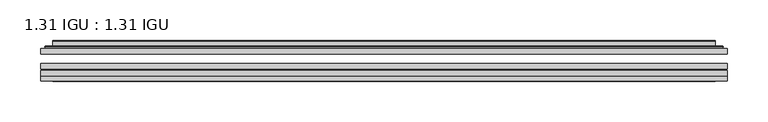
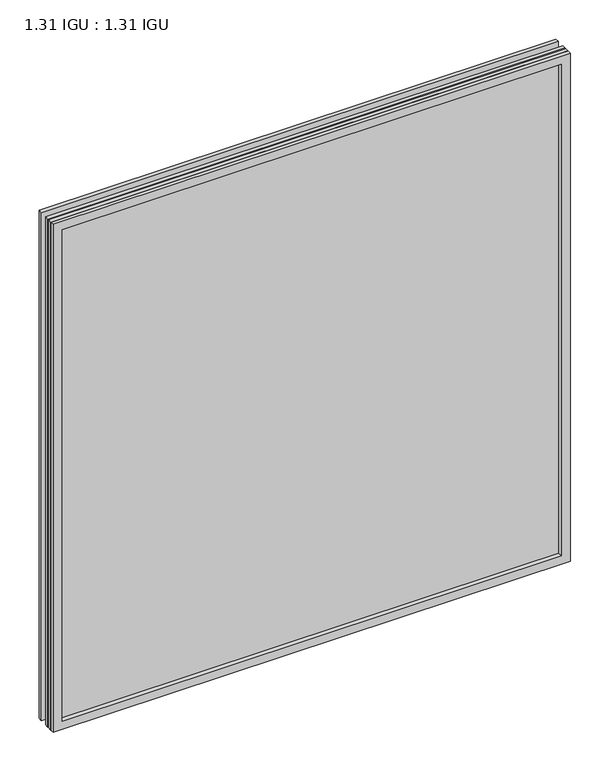
"""IFC4 building model written with IfcOpenShell, lengths in millimetres: plate geometry, 1.31 IGU : 1.31 IGU."""

from ifc_helpers import new_model, si_unit, frame, origin, place, context, project, spatial, polyline, ellipse_curve, outline, extrude, faceted_brep, source, transform, mapped, element, save
from ifc_brep_helpers import plane_surface, cylinder_surface, advanced_brep


def plate_1_31_igu_1_31_igu_53862be5(model_context):
    return source(origin(), model_context, "Body", "SolidModel", [
        extrude(outline(polyline([(419.1140393, -63.2975937), (419.1140393, -69.6475938), (-419.0998644, -69.6475938), (-419.0998644, -63.2975937), (419.1140393, -63.2975937)])), frame((0.0, 0.0, -14.2875), z_axis=(0.0, 0.0, 1.0), x_axis=(1.0, 0.0, 0.0)), (0.0, 0.0, 1.0), 869.9537979),
        extrude(outline(polyline([(-419.0998644, -78.2835938), (-419.0998644, -71.9330887), (419.1140393, -71.9330887), (419.1140393, -78.2835938), (-419.0998644, -78.2835938)])), frame((0.0, 0.0, -14.2875), z_axis=(0.0, 0.0, 1.0), x_axis=(1.0, 0.0, 0.0)), (0.0, 0.0, 1.0), 869.9537979),
        extrude(outline(polyline([(419.1140393, -44.9587937), (419.1140393, -51.3087938), (-419.0998644, -51.3087938), (-419.0998644, -44.9587937), (419.1140393, -44.9587937)])), frame((0.0, 0.0, -14.2875), z_axis=(0.0, 0.0, 1.0), x_axis=(1.0, 0.0, 0.0)), (0.0, 0.0, 1.0), 869.9537979),
        faceted_brep([(-419.1125644, -84.6335937, 855.6752), (-419.1125644, -78.2835937, 855.6752), (-419.1125644, -78.2835937, -14.3002), (-419.1125644, -84.6335937, -14.3002), (419.1125644, -78.2835937, -14.3002), (419.1125644, -84.6335937, -14.3002), (419.1125644, -78.2835937, 855.6752), (419.1125644, -84.6335937, 855.6752), (-403.9146202, -78.2835937, 0.8977441), (403.9146202, -78.2835937, 0.8977441), (403.9146202, -78.2835937, 840.4772559), (-403.9146202, -78.2835937, 840.4772559), (-404.8070545, -84.6335937, 841.3696902), (404.8070545, -84.6335937, 841.3696902), (404.8070545, -84.6335937, 0.0053098), (-404.8070545, -84.6335937, 0.0053098)], [[[0, 1, 2, 3]], [[3, 2, 4, 5]], [[5, 4, 6, 7]], [[1, 6, 4, 2], [8, 9, 10, 11]], [[7, 6, 1, 0]], [[3, 5, 7, 0], [12, 13, 14, 15]], [[11, 12, 15, 8]], [[8, 15, 14, 9]], [[9, 14, 13, 10]], [[10, 13, 12, 11]]]),
        advanced_brep(
        [(-411.8585834, -44.9587937, 848.421219), (-414.2127888, -42.9691271, 850.7754244), (-414.2127888, -42.9691271, -9.4004244), (-411.8585834, -44.9587937, -7.046219), (-402.7842583, -41.1187568, 839.3468939), (-397.8494264, -44.9587937, 834.4120621), (-397.8494264, -44.9587937, 6.9629379), (-402.7842583, -41.1187568, 2.0281061), (-403.816286, -35.7215256, 840.3789217), (-403.816286, -35.7215256, 0.9960783), (-404.8069428, -35.3225507, 841.3695784), (-404.8069428, -35.3225507, 0.0054216), (-404.8069428, -41.7837937, 841.3695784), (-404.8069428, -41.7837937, 0.0054216), (-413.2109992, -41.7837937, 849.7736349), (-413.2109992, -41.7837937, -8.3986349), (414.2127888, -42.9691271, -9.4004244), (411.8585834, -44.9587937, -7.046219), (397.8494264, -44.9587937, 6.9629379), (402.7842583, -41.1187568, 2.0281061), (403.816286, -35.7215256, 0.9960783), (404.8069428, -35.3225507, 0.0054216), (404.8069428, -41.7837937, 0.0054216), (413.2109992, -41.7837937, -8.3986349), (414.2127888, -42.9691271, 850.7754244), (411.8585834, -44.9587937, 848.421219), (397.8494264, -44.9587937, 834.4120621), (402.7842583, -41.1187568, 839.3468939), (403.816286, -35.7215256, 840.3789217), (404.8069428, -35.3225507, 841.3695784), (404.8069428, -41.7837937, 841.3695784), (413.2109992, -41.7837937, 849.7736349)],
        [
            (0, 1, ellipse_curve(frame((-411.8585834, -42.5711937, 848.421219), z_axis=(-0.7071067811865475, 0.0, -0.7071067811865475), x_axis=(-0.7071067811865474, 0.0, 0.7071067811865476)), 3.3765763, 2.3876)),
            (1, 2),
            (2, 3, ellipse_curve(frame((-411.8585834, -42.5711937, -7.046219), z_axis=(-0.7071067811865475, 0.0, 0.7071067811865475), x_axis=(0.7071067811865474, 0.0, 0.7071067811865476)), 3.3765763, 2.3876)),
            (3, 0),
            (4, 5),
            (5, 6),
            (6, 7),
            (7, 4),
            (8, 4),
            (7, 9),
            (9, 8),
            (10, 8, ellipse_curve(frame((-404.4399862, -35.840786, 841.0026219), z_axis=(-0.7071067811865475, 0.0, -0.7071067811865475), x_axis=(-0.7071067811865474, 0.0, 0.7071067811865476)), 0.8980256, 0.635)),
            (9, 11, ellipse_curve(frame((-404.4399862, -35.840786, 0.3723781), z_axis=(-0.7071067811865475, 0.0, 0.7071067811865475), x_axis=(0.7071067811865474, 0.0, 0.7071067811865476)), 0.8980256, 0.635)),
            (11, 10),
            (12, 10),
            (11, 13),
            (13, 12),
            (1, 14, ellipse_curve(frame((-413.2109992, -42.7997937, 849.7736349), z_axis=(-0.7071067811865475, 0.0, -0.7071067811865475), x_axis=(-0.7071067811865474, 0.0, 0.7071067811865476)), 1.436841, 1.016)),
            (14, 15),
            (15, 2, ellipse_curve(frame((-413.2109992, -42.7997937, -8.3986349), z_axis=(-0.7071067811865475, 0.0, 0.7071067811865475), x_axis=(0.7071067811865474, 0.0, 0.7071067811865476)), 1.436841, 1.016)),
            (2, 16),
            (16, 17, ellipse_curve(frame((411.8585834, -42.5711937, -7.046219), z_axis=(-0.7071067811865475, 0.0, -0.7071067811865475), x_axis=(-0.7071067811865476, 0.0, 0.7071067811865474)), 3.3765763, 2.3876)),
            (17, 3),
            (6, 18),
            (18, 19),
            (19, 7),
            (19, 20),
            (20, 9),
            (20, 21, ellipse_curve(frame((404.4399862, -35.840786, 0.3723781), z_axis=(-0.7071067811865475, 0.0, -0.7071067811865475), x_axis=(-0.7071067811865476, 0.0, 0.7071067811865474)), 0.8980256, 0.635)),
            (21, 11),
            (21, 22),
            (22, 13),
            (15, 23),
            (23, 16, ellipse_curve(frame((413.2109992, -42.7997937, -8.3986349), z_axis=(-0.7071067811865475, 0.0, -0.7071067811865475), x_axis=(-0.7071067811865476, 0.0, 0.7071067811865474)), 1.436841, 1.016)),
            (16, 24),
            (24, 25, ellipse_curve(frame((411.8585834, -42.5711937, 848.421219), z_axis=(0.7071067811865475, 0.0, -0.7071067811865475), x_axis=(-0.7071067811865474, 0.0, -0.7071067811865476)), 3.3765763, 2.3876)),
            (25, 17),
            (18, 26),
            (26, 27),
            (27, 19),
            (27, 28),
            (28, 20),
            (28, 29, ellipse_curve(frame((404.4399862, -35.840786, 841.0026219), z_axis=(0.7071067811865475, 0.0, -0.7071067811865475), x_axis=(-0.7071067811865474, 0.0, -0.7071067811865476)), 0.8980256, 0.635)),
            (29, 21),
            (29, 30),
            (30, 22),
            (23, 31),
            (31, 24, ellipse_curve(frame((413.2109992, -42.7997937, 849.7736349), z_axis=(0.7071067811865475, 0.0, -0.7071067811865475), x_axis=(-0.7071067811865474, 0.0, -0.7071067811865476)), 1.436841, 1.016)),
            (24, 1),
            (0, 25),
            (5, 26),
            (4, 27),
            (8, 28),
            (10, 29),
            (12, 30),
            (14, 31),
        ],
        [
            cylinder_surface(frame((-411.8585834, -42.5711937, 873.125), z_axis=(0.0, 0.0, 1.0), x_axis=(-1.0, 0.0, 0.0)), 2.3876),
            plane_surface(frame((-397.8494264, -44.9587937, 834.4120621), z_axis=(0.6141233906514794, 0.7892100234124821, 0.0), x_axis=(0.0, 0.0, -1.0))),
            plane_surface(frame((-402.7842583, -41.1187568, 839.3468939), z_axis=(0.9822050625507729, 0.18781164793386076, 0.0), x_axis=(0.0, 0.0, -1.0))),
            cylinder_surface(frame((-404.4399862, -35.840786, 873.125), z_axis=(0.0, 0.0, 1.0), x_axis=(-1.0, 0.0, 0.0)), 0.635),
            plane_surface(frame((-404.8069428, -35.3225507, 841.3695784), z_axis=(-1.0, 0.0, 0.0), x_axis=(0.0, 0.0, -1.0))),
            cylinder_surface(frame((-413.2109992, -42.7997937, 873.125), z_axis=(0.0, 0.0, 1.0), x_axis=(-1.0, 0.0, 0.0)), 1.016),
            cylinder_surface(frame((-436.5623644, -42.5711937, -7.046219), z_axis=(-1.0, 0.0, 0.0), x_axis=(0.0, 0.0, -1.0)), 2.3876),
            plane_surface(frame((-397.8494264, -44.9587937, 6.9629379), z_axis=(0.0, 0.7892100234124841, 0.6141233906514768), x_axis=(1.0, 0.0, 0.0))),
            plane_surface(frame((-402.7842583, -41.1187568, 2.0281061), z_axis=(0.0, 0.18781164793386393, 0.9822050625507723), x_axis=(1.0, 0.0, 0.0))),
            cylinder_surface(frame((-436.5623644, -35.840786, 0.3723781), z_axis=(-1.0, 0.0, 0.0), x_axis=(0.0, 0.0, -1.0)), 0.635),
            plane_surface(frame((-404.8069428, -35.3225507, 0.0054216), z_axis=(0.0, 0.0, -1.0), x_axis=(1.0, 0.0, 0.0))),
            cylinder_surface(frame((-436.5623644, -42.7997937, -8.3986349), z_axis=(-1.0, 0.0, 0.0), x_axis=(0.0, 0.0, -1.0)), 1.016),
            cylinder_surface(frame((411.8585834, -42.5711937, -31.75), z_axis=(0.0, 0.0, -1.0), x_axis=(1.0, 0.0, 0.0)), 2.3876),
            plane_surface(frame((397.8494264, -44.9587937, 6.9629379), z_axis=(-0.6141233906514743, 0.7892100234124861, 0.0), x_axis=(0.0, 0.0, 1.0))),
            plane_surface(frame((402.7842583, -41.1187568, 2.0281061), z_axis=(-0.9822050625507718, 0.1878116479338671, 0.0), x_axis=(0.0, 0.0, 1.0))),
            cylinder_surface(frame((404.4399862, -35.840786, -31.75), z_axis=(0.0, 0.0, -1.0), x_axis=(1.0, 0.0, 0.0)), 0.635),
            plane_surface(frame((404.8069428, -35.3225507, 0.0054216), z_axis=(1.0, 0.0, 0.0), x_axis=(0.0, 0.0, 1.0))),
            cylinder_surface(frame((413.2109992, -42.7997937, -31.75), z_axis=(0.0, 0.0, -1.0), x_axis=(1.0, 0.0, 0.0)), 1.016),
            cylinder_surface(frame((436.5623644, -42.5711937, 848.421219), z_axis=(1.0, 0.0, 0.0), x_axis=(0.0, 0.0, 1.0)), 2.3876),
            plane_surface(frame((411.8585834, -44.9587937, 848.421219), z_axis=(0.0, -1.0, 0.0), x_axis=(-1.0, 0.0, 0.0))),
            plane_surface(frame((397.8494264, -44.9587937, 834.4120621), z_axis=(0.0, 0.7892100234124841, -0.6141233906514768), x_axis=(-1.0, 0.0, 0.0))),
            plane_surface(frame((402.7842583, -41.1187568, 839.3468939), z_axis=(0.0, 0.18781164793386393, -0.9822050625507723), x_axis=(-1.0, 0.0, 0.0))),
            cylinder_surface(frame((436.5623644, -35.840786, 841.0026219), z_axis=(1.0, 0.0, 0.0), x_axis=(0.0, 0.0, 1.0)), 0.635),
            plane_surface(frame((404.8069428, -35.3225507, 841.3695784), z_axis=(0.0, 0.0, 1.0), x_axis=(-1.0, 0.0, 0.0))),
            plane_surface(frame((404.8069428, -41.7837937, 841.3695784), z_axis=(0.0, 1.0, 0.0), x_axis=(-1.0, 0.0, 0.0))),
            cylinder_surface(frame((436.5623644, -42.7997937, 849.7736349), z_axis=(1.0, 0.0, 0.0), x_axis=(0.0, 0.0, 1.0)), 1.016),
        ],
        [
            (0, [[1, 2, 3, 4]]),
            (1, [[5, 6, 7, 8]]),
            (2, [[9, -8, 10, 11]]),
            (3, [[12, -11, 13, 14]]),
            (4, [[15, -14, 16, 17]]),
            (5, [[18, 19, 20, -2]]),
            (6, [[-3, 21, 22, 23]]),
            (7, [[-7, 24, 25, 26]]),
            (8, [[-10, -26, 27, 28]]),
            (9, [[-13, -28, 29, 30]]),
            (10, [[-16, -30, 31, 32]]),
            (11, [[-20, 33, 34, -21]]),
            (12, [[-22, 35, 36, 37]]),
            (13, [[-25, 38, 39, 40]]),
            (14, [[-27, -40, 41, 42]]),
            (15, [[-29, -42, 43, 44]]),
            (16, [[-31, -44, 45, 46]]),
            (17, [[-34, 47, 48, -35]]),
            (18, [[-36, 49, -1, 50]]),
            (19, [[-23, -37, -50, -4], [51, -38, -24, -6]]),
            (20, [[-39, -51, -5, 52]]),
            (21, [[-41, -52, -9, 53]]),
            (22, [[-43, -53, -12, 54]]),
            (23, [[-45, -54, -15, 55]]),
            (24, [[56, -47, -33, -19], [-32, -46, -55, -17]]),
            (25, [[-48, -56, -18, -49]]),
        ],
    ),
    ])


if __name__ == "__main__":
    model = new_model("IFC4")
    model_context = context("Model", 3, world=origin())
    ifc_project = project(units=[si_unit("LENGTHUNIT", "METRE", prefix="MILLI")], contexts=[model_context])
    site = spatial("IfcSite", under=ifc_project)
    building = spatial("IfcBuilding", under=site)
    placement = place(None, origin())
    plate_1_31_igu_1_31_igu_shape = plate_1_31_igu_1_31_igu_53862be5(model_context)
    element("IfcPlate", 1, ObjectType="1.31 IGU : 1.31 IGU", at=placement, inside=building, context=model_context, shape_type="MappedRepresentation", body=[
        mapped(plate_1_31_igu_1_31_igu_shape, transform((0.0, 0.0, 0.0), x_axis=(1.0, 0.0, 0.0), y_axis=(0.0, 1.0, 0.0), z_axis=(0.0, 0.0, 1.0))),
    ])
    save(model, "model.ifc")
